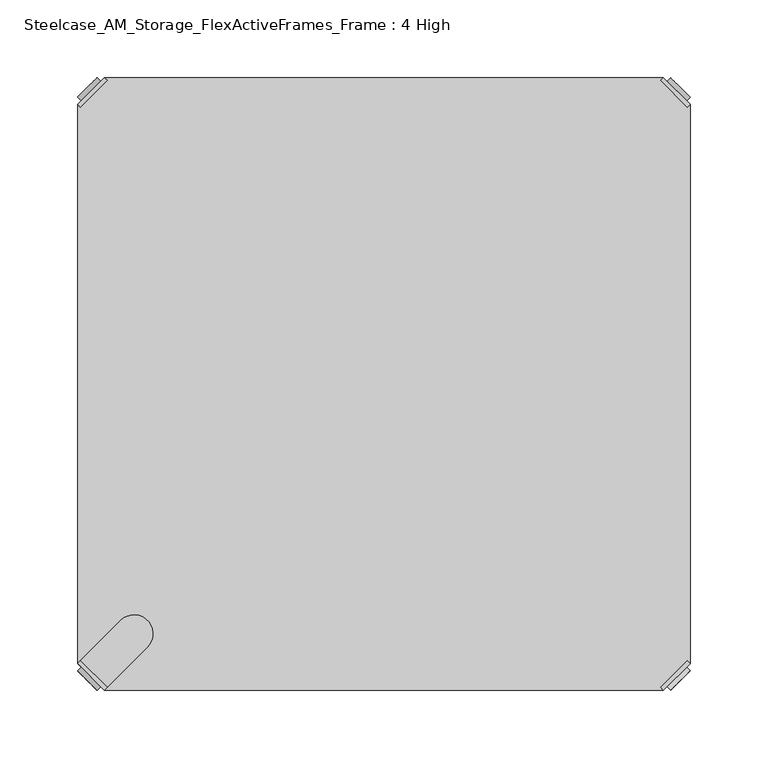
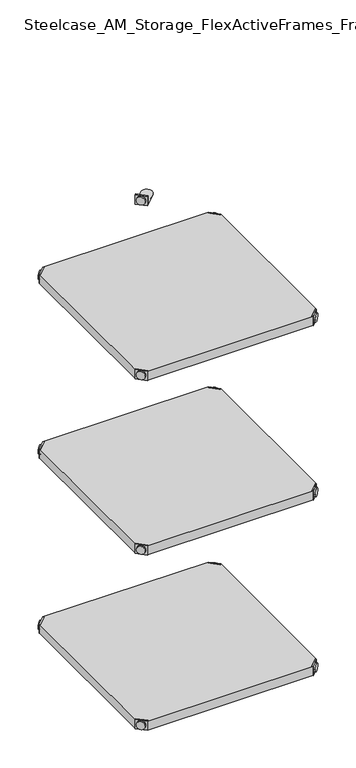
"""IFC4 building model written with IfcOpenShell, lengths in millimetres: furniture geometry, Steelcase_AM_Storage_FlexActiveFrames_Frame : 4 High."""

from ifc_helpers import new_model, si_unit, frame, origin, place, context, project, spatial, polyline, circle_curve, outline, extrude, source, transform, mapped, element, save
from ifc_brep_helpers import plane_surface, cylinder_surface, advanced_brep


def steelcase_am_storage_flexactiveframes_frame_4_high_f2a8c31b(model_context):
    return source(origin(), model_context, "Body", "SolidModel", [
        advanced_brep(
        [(2.54, -380.2870969, 1324.61), (19.7629031, -397.51, 1324.61), (21.5589544, -395.7139488, 1324.61), (4.3360512, -378.4910456, 1324.61), (2.54, -380.2870969, 1303.274), (19.7629031, -397.51, 1303.274), (4.8652723, -382.6123691, 1314.45), (17.4376309, -395.1847277, 1314.45), (30.2920522, -352.5350447, 1304.29), (4.3360512, -378.4910456, 1304.29), (21.5589544, -395.7139488, 1304.29), (47.5149553, -369.7579478, 1304.29), (30.2920522, -352.5350447, 1303.274), (47.5149553, -369.7579478, 1303.274), (15.1227513, -397.4996073, 1314.45), (2.5503927, -384.9272487, 1314.45)],
        [
            (0, 1),
            (1, 2),
            (2, 3),
            (3, 0),
            (0, 4),
            (4, 5),
            (5, 1),
            (6, 7, circle_curve(frame((11.1514516, -388.8985484, 1314.45), z_axis=(0.7071067811865446, 0.7071067811865505, 0.0), x_axis=(-0.7071067811865505, 0.7071067811865446, 0.0)), 8.89)),
            (7, 6, circle_curve(frame((11.1514516, -388.8985484, 1314.45), z_axis=(0.7071067811865446, 0.7071067811865505, 0.0), x_axis=(-0.7071067811865505, 0.7071067811865446, 0.0)), 8.89)),
            (8, 9),
            (9, 10),
            (10, 11),
            (11, 8, circle_curve(frame((38.9035037, -361.1464963, 1304.29), z_axis=(0.0, 0.0, 1.0), x_axis=(1.0, 0.0, 0.0)), 12.1784316)),
            (12, 13, circle_curve(frame((38.9035037, -361.1464963, 1303.274), z_axis=(0.0, 0.0, -1.0), x_axis=(1.0, 0.0, 0.0)), 12.1784316)),
            (13, 5),
            (4, 12),
            (14, 15, circle_curve(frame((8.836572, -391.213428, 1314.45), z_axis=(-0.7071067811865446, -0.7071067811865505, 0.0), x_axis=(-0.7071067811865505, 0.7071067811865446, 0.0)), 8.89)),
            (15, 14, circle_curve(frame((8.836572, -391.213428, 1314.45), z_axis=(-0.7071067811865446, -0.7071067811865505, 0.0), x_axis=(-0.7071067811865505, 0.7071067811865446, 0.0)), 8.89)),
            (15, 6),
            (7, 14),
            (2, 10),
            (9, 3),
            (11, 13),
            (12, 8),
        ],
        [
            plane_surface(frame((-19.6579872, -402.485084, 1324.61), z_axis=(0.0, 0.0, 1.0000000000000002), x_axis=(0.7071067811865436, 0.7071067811865516, 0.0))),
            plane_surface(frame((19.7629031, -397.51, 1324.61), z_axis=(-0.7071067811865447, -0.7071067811865503, 0.0), x_axis=(0.0, 0.0, -1.0))),
            plane_surface(frame((51.0819353, -361.1464963, 1304.29), z_axis=(0.0, 0.0, 1.0), x_axis=(0.0, -1.0, 0.0))),
            plane_surface(frame((51.0819353, -361.1464963, 1303.274), z_axis=(0.0, 0.0, -1.0), x_axis=(0.0, 1.0, 0.0))),
            plane_surface(frame((2.5503927, -384.9272487, 1314.45), z_axis=(-0.7071067811865446, -0.7071067811865505, 0.0), x_axis=(0.0, 0.0, 1.0))),
            cylinder_surface(frame((11.1514516, -388.8985484, 1314.45), z_axis=(-0.7071067811865446, -0.7071067811865505, 0.0), x_axis=(-0.7071067811865505, 0.7071067811865446, 0.0)), 8.89),
            plane_surface(frame((4.3360512, -378.4910456, 1324.61), z_axis=(0.7071067811865447, 0.7071067811865503, 0.0), x_axis=(0.0, 0.0, -1.0))),
            cylinder_surface(frame((38.9035037, -361.1464963, 1303.274), z_axis=(0.0, 0.0, 1.0), x_axis=(1.0, 0.0, 0.0)), 12.1784316),
            plane_surface(frame((2.54, -380.2870969, 1324.61), z_axis=(-0.7071067811865516, 0.7071067811865436, 0.0), x_axis=(0.0, 0.0, -1.0))),
            plane_surface(frame((21.5589544, -395.7139488, 1324.61), z_axis=(0.7071067811865513, -0.7071067811865437, 0.0), x_axis=(0.0, 0.0, -1.0))),
        ],
        [
            (0, [[1, 2, 3, 4]]),
            (1, [[5, 6, 7, -1], [8, 9]]),
            (2, [[10, 11, 12, 13]]),
            (3, [[14, 15, -6, 16]]),
            (4, [[17, 18]]),
            (5, [[19, -9, 20, -18]]),
            (5, [[-20, -8, -19, -17]]),
            (6, [[21, -11, 22, -3]]),
            (7, [[23, -14, 24, -13]]),
            (8, [[-22, -10, -24, -16, -5, -4]]),
            (9, [[-7, -15, -23, -12, -21, -2]]),
        ],
    ),
        advanced_brep(
        [(397.51, -380.2870969, 1324.61), (395.7139488, -378.4910456, 1324.61), (378.4910456, -395.7139488, 1324.61), (380.2870969, -397.51, 1324.61), (380.2870969, -397.51, 1303.274), (397.51, -380.2870969, 1303.274), (395.1847277, -382.6123691, 1314.45), (382.6123691, -395.1847277, 1314.45), (369.7579478, -352.5350447, 1304.29), (352.5350447, -369.7579478, 1304.29), (378.4910456, -395.7139488, 1304.29), (395.7139488, -378.4910456, 1304.29), (369.7579478, -352.5350447, 1303.274), (352.5350447, -369.7579478, 1303.274), (384.9272487, -397.4996073, 1314.45), (397.4996073, -384.9272487, 1314.45)],
        [
            (0, 1),
            (1, 2),
            (2, 3),
            (3, 0),
            (3, 4),
            (4, 5),
            (5, 0),
            (6, 7, circle_curve(frame((388.8985484, -388.8985484, 1314.45), z_axis=(-0.7071067811865446, 0.7071067811865505, 0.0), x_axis=(0.7071067811865505, 0.7071067811865446, 0.0)), 8.89)),
            (7, 6, circle_curve(frame((388.8985484, -388.8985484, 1314.45), z_axis=(-0.7071067811865446, 0.7071067811865505, 0.0), x_axis=(0.7071067811865505, 0.7071067811865446, 0.0)), 8.89)),
            (8, 9, circle_curve(frame((361.1464963, -361.1464963, 1304.29), z_axis=(0.0, 0.0, 1.0), x_axis=(-1.0, 0.0, 0.0)), 12.1784316)),
            (9, 10),
            (10, 11),
            (11, 8),
            (12, 5),
            (4, 13),
            (13, 12, circle_curve(frame((361.1464963, -361.1464963, 1303.274), z_axis=(0.0, 0.0, -1.0), x_axis=(-1.0, 0.0, 0.0)), 12.1784316)),
            (14, 15, circle_curve(frame((391.213428, -391.213428, 1314.45), z_axis=(0.7071067811865446, -0.7071067811865505, 0.0), x_axis=(0.7071067811865505, 0.7071067811865446, 0.0)), 8.89)),
            (15, 14, circle_curve(frame((391.213428, -391.213428, 1314.45), z_axis=(0.7071067811865446, -0.7071067811865505, 0.0), x_axis=(0.7071067811865505, 0.7071067811865446, 0.0)), 8.89)),
            (14, 7),
            (6, 15),
            (1, 11),
            (10, 2),
            (8, 12),
            (13, 9),
        ],
        [
            plane_surface(frame((419.7079872, -402.485084, 1324.61), z_axis=(0.0, 0.0, 1.0000000000000002), x_axis=(-0.7071067811865436, 0.7071067811865516, 0.0))),
            plane_surface(frame((380.2870969, -397.51, 1324.61), z_axis=(0.7071067811865447, -0.7071067811865503, 0.0), x_axis=(0.0, 0.0, -1.0))),
            plane_surface(frame((348.9680647, -361.1464963, 1304.29), z_axis=(0.0, 0.0, 1.0), x_axis=(0.0, -1.0, 0.0))),
            plane_surface(frame((348.9680647, -361.1464963, 1303.274), z_axis=(0.0, 0.0, -1.0), x_axis=(0.0, 1.0, 0.0))),
            plane_surface(frame((397.4996073, -384.9272487, 1314.45), z_axis=(0.7071067811865446, -0.7071067811865505, 0.0), x_axis=(0.0, 0.0, 1.0))),
            cylinder_surface(frame((388.8985484, -388.8985484, 1314.45), z_axis=(0.7071067811865446, -0.7071067811865505, 0.0), x_axis=(0.7071067811865505, 0.7071067811865446, 0.0)), 8.89),
            plane_surface(frame((395.7139488, -378.4910456, 1324.61), z_axis=(-0.7071067811865447, 0.7071067811865503, 0.0), x_axis=(0.0, 0.0, -1.0))),
            cylinder_surface(frame((361.1464963, -361.1464963, 1303.274), z_axis=(0.0, 0.0, 1.0), x_axis=(-1.0, 0.0, 0.0)), 12.1784316),
            plane_surface(frame((397.51, -380.2870969, 1324.61), z_axis=(0.7071067811865516, 0.7071067811865436, 0.0), x_axis=(0.0, 0.0, -1.0))),
            plane_surface(frame((378.4910456, -395.7139488, 1324.61), z_axis=(-0.7071067811865513, -0.7071067811865437, 0.0), x_axis=(0.0, 0.0, -1.0))),
        ],
        [
            (0, [[1, 2, 3, 4]]),
            (1, [[-4, 5, 6, 7], [8, 9]]),
            (2, [[10, 11, 12, 13]]),
            (3, [[14, -6, 15, 16]]),
            (4, [[17, 18]]),
            (5, [[-17, 19, -8, 20]]),
            (5, [[-18, -20, -9, -19]]),
            (6, [[-2, 21, -12, 22]]),
            (7, [[-10, 23, -16, 24]]),
            (8, [[-1, -7, -14, -23, -13, -21]]),
            (9, [[-3, -22, -11, -24, -15, -5]]),
        ],
    ),
        advanced_brep(
        [(397.51, -19.7629031, 1324.61), (380.2870969, -2.54, 1324.61), (378.4910456, -4.3360512, 1324.61), (395.7139488, -21.5589544, 1324.61), (397.51, -19.7629031, 1303.274), (380.2870969, -2.54, 1303.274), (395.1847277, -17.4376309, 1314.45), (382.6123691, -4.8652723, 1314.45), (369.7579478, -47.5149553, 1304.29), (395.7139488, -21.5589544, 1304.29), (378.4910456, -4.3360512, 1304.29), (352.5350447, -30.2920522, 1304.29), (369.7579478, -47.5149553, 1303.274), (352.5350447, -30.2920522, 1303.274), (384.9272487, -2.5503927, 1314.45), (397.4996073, -15.1227513, 1314.45)],
        [
            (0, 1),
            (1, 2),
            (2, 3),
            (3, 0),
            (0, 4),
            (4, 5),
            (5, 1),
            (6, 7, circle_curve(frame((388.8985484, -11.1514516, 1314.45), z_axis=(-0.7071067811865469, -0.7071067811865481, 0.0), x_axis=(0.7071067811865481, -0.7071067811865469, 0.0)), 8.89)),
            (7, 6, circle_curve(frame((388.8985484, -11.1514516, 1314.45), z_axis=(-0.7071067811865469, -0.7071067811865481, 0.0), x_axis=(0.7071067811865481, -0.7071067811865469, 0.0)), 8.89)),
            (8, 9),
            (9, 10),
            (10, 11),
            (11, 8, circle_curve(frame((361.1464963, -38.9035037, 1304.29), z_axis=(0.0, 0.0, 1.0), x_axis=(-1.0, 0.0, 0.0)), 12.1784316)),
            (12, 13, circle_curve(frame((361.1464963, -38.9035037, 1303.274), z_axis=(0.0, 0.0, -1.0), x_axis=(-1.0, 0.0, 0.0)), 12.1784316)),
            (13, 5),
            (4, 12),
            (14, 15, circle_curve(frame((391.213428, -8.836572, 1314.45), z_axis=(0.7071067811865469, 0.7071067811865481, 0.0), x_axis=(0.7071067811865481, -0.7071067811865469, 0.0)), 8.89)),
            (15, 14, circle_curve(frame((391.213428, -8.836572, 1314.45), z_axis=(0.7071067811865469, 0.7071067811865481, 0.0), x_axis=(0.7071067811865481, -0.7071067811865469, 0.0)), 8.89)),
            (15, 6),
            (7, 14),
            (2, 10),
            (9, 3),
            (11, 13),
            (12, 8),
        ],
        [
            plane_surface(frame((419.7079872, 2.435084, 1324.61), z_axis=(0.0, 0.0, 1.0000000000000002), x_axis=(-0.7071067811865459, -0.7071067811865492, 0.0))),
            plane_surface(frame((380.2870969, -2.54, 1324.61), z_axis=(0.707106781186547, 0.707106781186548, 0.0), x_axis=(0.0, 0.0, -1.0))),
            plane_surface(frame((348.9680647, -38.9035037, 1304.29), z_axis=(0.0, 0.0, 1.0), x_axis=(0.0, 1.0, 0.0))),
            plane_surface(frame((348.9680647, -38.9035037, 1303.274), z_axis=(0.0, 0.0, -1.0), x_axis=(0.0, -1.0, 0.0))),
            plane_surface(frame((397.4996073, -15.1227513, 1314.45), z_axis=(0.7071067811865469, 0.7071067811865481, 0.0), x_axis=(0.0, 0.0, 1.0))),
            cylinder_surface(frame((388.8985484, -11.1514516, 1314.45), z_axis=(0.7071067811865469, 0.7071067811865481, 0.0), x_axis=(0.7071067811865481, -0.7071067811865469, 0.0)), 8.89),
            plane_surface(frame((395.7139488, -21.5589544, 1324.61), z_axis=(-0.707106781186547, -0.707106781186548, 0.0), x_axis=(0.0, 0.0, -1.0))),
            cylinder_surface(frame((361.1464963, -38.9035037, 1303.274), z_axis=(0.0, 0.0, 1.0), x_axis=(-1.0, 0.0, 0.0)), 12.1784316),
            plane_surface(frame((397.51, -19.7629031, 1324.61), z_axis=(0.7071067811865492, -0.7071067811865459, 0.0), x_axis=(0.0, 0.0, -1.0))),
            plane_surface(frame((378.4910456, -4.3360512, 1324.61), z_axis=(-0.707106781186549, 0.707106781186546, 0.0), x_axis=(0.0, 0.0, -1.0))),
        ],
        [
            (0, [[1, 2, 3, 4]]),
            (1, [[5, 6, 7, -1], [8, 9]]),
            (2, [[10, 11, 12, 13]]),
            (3, [[14, 15, -6, 16]]),
            (4, [[17, 18]]),
            (5, [[19, -9, 20, -18]]),
            (5, [[-20, -8, -19, -17]]),
            (6, [[21, -11, 22, -3]]),
            (7, [[23, -14, 24, -13]]),
            (8, [[-22, -10, -24, -16, -5, -4]]),
            (9, [[-7, -15, -23, -12, -21, -2]]),
        ],
    ),
        advanced_brep(
        [(2.54, -19.7629031, 1324.61), (4.3360512, -21.5589544, 1324.61), (21.5589544, -4.3360512, 1324.61), (19.7629031, -2.54, 1324.61), (19.7629031, -2.54, 1303.274), (2.54, -19.7629031, 1303.274), (4.8652723, -17.4376309, 1314.45), (17.4376309, -4.8652723, 1314.45), (30.2920522, -47.5149553, 1304.29), (47.5149553, -30.2920522, 1304.29), (21.5589544, -4.3360512, 1304.29), (4.3360512, -21.5589544, 1304.29), (30.2920522, -47.5149553, 1303.274), (47.5149553, -30.2920522, 1303.274), (15.1227513, -2.5503927, 1314.45), (2.5503927, -15.1227513, 1314.45)],
        [
            (0, 1),
            (1, 2),
            (2, 3),
            (3, 0),
            (3, 4),
            (4, 5),
            (5, 0),
            (6, 7, circle_curve(frame((11.1514516, -11.1514516, 1314.45), z_axis=(0.7071067811865469, -0.7071067811865481, 0.0), x_axis=(-0.7071067811865481, -0.7071067811865469, 0.0)), 8.89)),
            (7, 6, circle_curve(frame((11.1514516, -11.1514516, 1314.45), z_axis=(0.7071067811865469, -0.7071067811865481, 0.0), x_axis=(-0.7071067811865481, -0.7071067811865469, 0.0)), 8.89)),
            (8, 9, circle_curve(frame((38.9035037, -38.9035037, 1304.29), z_axis=(0.0, 0.0, 1.0), x_axis=(1.0, 0.0, 0.0)), 12.1784316)),
            (9, 10),
            (10, 11),
            (11, 8),
            (12, 5),
            (4, 13),
            (13, 12, circle_curve(frame((38.9035037, -38.9035037, 1303.274), z_axis=(0.0, 0.0, -1.0), x_axis=(1.0, 0.0, 0.0)), 12.1784316)),
            (14, 15, circle_curve(frame((8.836572, -8.836572, 1314.45), z_axis=(-0.7071067811865469, 0.7071067811865481, 0.0), x_axis=(-0.7071067811865481, -0.7071067811865469, 0.0)), 8.89)),
            (15, 14, circle_curve(frame((8.836572, -8.836572, 1314.45), z_axis=(-0.7071067811865469, 0.7071067811865481, 0.0), x_axis=(-0.7071067811865481, -0.7071067811865469, 0.0)), 8.89)),
            (14, 7),
            (6, 15),
            (1, 11),
            (10, 2),
            (8, 12),
            (13, 9),
        ],
        [
            plane_surface(frame((-19.6579872, 2.435084, 1324.61), z_axis=(0.0, 0.0, 1.0000000000000002), x_axis=(0.7071067811865459, -0.7071067811865492, 0.0))),
            plane_surface(frame((19.7629031, -2.54, 1324.61), z_axis=(-0.707106781186547, 0.707106781186548, 0.0), x_axis=(0.0, 0.0, -1.0))),
            plane_surface(frame((51.0819353, -38.9035037, 1304.29), z_axis=(0.0, 0.0, 1.0), x_axis=(0.0, 1.0, 0.0))),
            plane_surface(frame((51.0819353, -38.9035037, 1303.274), z_axis=(0.0, 0.0, -1.0), x_axis=(0.0, -1.0, 0.0))),
            plane_surface(frame((2.5503927, -15.1227513, 1314.45), z_axis=(-0.7071067811865469, 0.7071067811865481, 0.0), x_axis=(0.0, 0.0, 1.0))),
            cylinder_surface(frame((11.1514516, -11.1514516, 1314.45), z_axis=(-0.7071067811865469, 0.7071067811865481, 0.0), x_axis=(-0.7071067811865481, -0.7071067811865469, 0.0)), 8.89),
            plane_surface(frame((4.3360512, -21.5589544, 1324.61), z_axis=(0.707106781186547, -0.707106781186548, 0.0), x_axis=(0.0, 0.0, -1.0))),
            cylinder_surface(frame((38.9035037, -38.9035037, 1303.274), z_axis=(0.0, 0.0, 1.0), x_axis=(1.0, 0.0, 0.0)), 12.1784316),
            plane_surface(frame((2.54, -19.7629031, 1324.61), z_axis=(-0.7071067811865492, -0.7071067811865459, 0.0), x_axis=(0.0, 0.0, -1.0))),
            plane_surface(frame((21.5589544, -4.3360512, 1324.61), z_axis=(0.707106781186549, 0.707106781186546, 0.0), x_axis=(0.0, 0.0, -1.0))),
        ],
        [
            (0, [[1, 2, 3, 4]]),
            (1, [[-4, 5, 6, 7], [8, 9]]),
            (2, [[10, 11, 12, 13]]),
            (3, [[14, -6, 15, 16]]),
            (4, [[17, 18]]),
            (5, [[-17, 19, -8, 20]]),
            (5, [[-18, -20, -9, -19]]),
            (6, [[-2, 21, -12, 22]]),
            (7, [[-10, 23, -16, 24]]),
            (8, [[-1, -7, -14, -23, -13, -21]]),
            (9, [[-3, -22, -11, -24, -15, -5]]),
        ],
    ),
        extrude(outline(polyline([(19.7629031, -2.54), (380.2870969, -2.54), (378.4910456, -4.3360512), (395.7139488, -21.5589544), (397.51, -19.7629031), (397.51, -380.2870969), (395.7139488, -378.4910456), (378.4910456, -395.7139488), (380.2870969, -397.51), (19.7629031, -397.51), (21.5589544, -395.7139488), (4.3360512, -378.4910456), (2.54, -380.2870969), (2.54, -19.7629031), (4.3360512, -21.5589544), (21.5589544, -4.3360512), (19.7629031, -2.54)])), frame((0.0, 0.0, 1304.29), z_axis=(0.0, 0.0, 1.0), x_axis=(1.0, 0.0, 0.0)), (0.0, 0.0, 1.0), 20.32),
        advanced_brep(
        [(2.54, -380.2870969, 923.29), (19.7629031, -397.51, 923.29), (21.5589544, -395.7139488, 923.29), (4.3360512, -378.4910456, 923.29), (2.54, -380.2870969, 901.954), (19.7629031, -397.51, 901.954), (4.8652723, -382.6123691, 913.13), (17.4376309, -395.1847277, 913.13), (30.2920522, -352.5350447, 902.97), (4.3360512, -378.4910456, 902.97), (21.5589544, -395.7139488, 902.97), (47.5149553, -369.7579478, 902.97), (30.2920522, -352.5350447, 901.954), (47.5149553, -369.7579478, 901.954), (15.1227513, -397.4996073, 913.13), (2.5503927, -384.9272487, 913.13)],
        [
            (0, 1),
            (1, 2),
            (2, 3),
            (3, 0),
            (0, 4),
            (4, 5),
            (5, 1),
            (6, 7, circle_curve(frame((11.1514516, -388.8985484, 913.13), z_axis=(0.7071067811865446, 0.7071067811865505, 0.0), x_axis=(-0.7071067811865505, 0.7071067811865446, 0.0)), 8.89)),
            (7, 6, circle_curve(frame((11.1514516, -388.8985484, 913.13), z_axis=(0.7071067811865446, 0.7071067811865505, 0.0), x_axis=(-0.7071067811865505, 0.7071067811865446, 0.0)), 8.89)),
            (8, 9),
            (9, 10),
            (10, 11),
            (11, 8, circle_curve(frame((38.9035037, -361.1464963, 902.97), z_axis=(0.0, 0.0, 1.0), x_axis=(1.0, 0.0, 0.0)), 12.1784316)),
            (12, 13, circle_curve(frame((38.9035037, -361.1464963, 901.954), z_axis=(0.0, 0.0, -1.0), x_axis=(1.0, 0.0, 0.0)), 12.1784316)),
            (13, 5),
            (4, 12),
            (14, 15, circle_curve(frame((8.836572, -391.213428, 913.13), z_axis=(-0.7071067811865446, -0.7071067811865505, 0.0), x_axis=(-0.7071067811865505, 0.7071067811865446, 0.0)), 8.89)),
            (15, 14, circle_curve(frame((8.836572, -391.213428, 913.13), z_axis=(-0.7071067811865446, -0.7071067811865505, 0.0), x_axis=(-0.7071067811865505, 0.7071067811865446, 0.0)), 8.89)),
            (15, 6),
            (7, 14),
            (2, 10),
            (9, 3),
            (11, 13),
            (12, 8),
        ],
        [
            plane_surface(frame((-19.6579872, -402.485084, 923.29), z_axis=(0.0, 0.0, 1.0000000000000002), x_axis=(0.7071067811865436, 0.7071067811865516, 0.0))),
            plane_surface(frame((19.7629031, -397.51, 923.29), z_axis=(-0.7071067811865447, -0.7071067811865503, 0.0), x_axis=(0.0, 0.0, -1.0))),
            plane_surface(frame((51.0819353, -361.1464963, 902.97), z_axis=(0.0, 0.0, 1.0), x_axis=(0.0, -1.0, 0.0))),
            plane_surface(frame((51.0819353, -361.1464963, 901.954), z_axis=(0.0, 0.0, -1.0), x_axis=(0.0, 1.0, 0.0))),
            plane_surface(frame((2.5503927, -384.9272487, 913.13), z_axis=(-0.7071067811865446, -0.7071067811865505, 0.0), x_axis=(0.0, 0.0, 1.0))),
            cylinder_surface(frame((11.1514516, -388.8985484, 913.13), z_axis=(-0.7071067811865446, -0.7071067811865505, 0.0), x_axis=(-0.7071067811865505, 0.7071067811865446, 0.0)), 8.89),
            plane_surface(frame((4.3360512, -378.4910456, 923.29), z_axis=(0.7071067811865447, 0.7071067811865503, 0.0), x_axis=(0.0, 0.0, -1.0))),
            cylinder_surface(frame((38.9035037, -361.1464963, 901.954), z_axis=(0.0, 0.0, 1.0), x_axis=(1.0, 0.0, 0.0)), 12.1784316),
            plane_surface(frame((2.54, -380.2870969, 923.29), z_axis=(-0.7071067811865516, 0.7071067811865436, 0.0), x_axis=(0.0, 0.0, -1.0))),
            plane_surface(frame((21.5589544, -395.7139488, 923.29), z_axis=(0.7071067811865513, -0.7071067811865437, 0.0), x_axis=(0.0, 0.0, -1.0))),
        ],
        [
            (0, [[1, 2, 3, 4]]),
            (1, [[5, 6, 7, -1], [8, 9]]),
            (2, [[10, 11, 12, 13]]),
            (3, [[14, 15, -6, 16]]),
            (4, [[17, 18]]),
            (5, [[19, -9, 20, -18]]),
            (5, [[-20, -8, -19, -17]]),
            (6, [[21, -11, 22, -3]]),
            (7, [[23, -14, 24, -13]]),
            (8, [[-22, -10, -24, -16, -5, -4]]),
            (9, [[-7, -15, -23, -12, -21, -2]]),
        ],
    ),
        advanced_brep(
        [(397.51, -380.2870969, 923.29), (395.7139488, -378.4910456, 923.29), (378.4910456, -395.7139488, 923.29), (380.2870969, -397.51, 923.29), (380.2870969, -397.51, 901.954), (397.51, -380.2870969, 901.954), (395.1847277, -382.6123691, 913.13), (382.6123691, -395.1847277, 913.13), (369.7579478, -352.5350447, 902.97), (352.5350447, -369.7579478, 902.97), (378.4910456, -395.7139488, 902.97), (395.7139488, -378.4910456, 902.97), (369.7579478, -352.5350447, 901.954), (352.5350447, -369.7579478, 901.954), (384.9272487, -397.4996073, 913.13), (397.4996073, -384.9272487, 913.13)],
        [
            (0, 1),
            (1, 2),
            (2, 3),
            (3, 0),
            (3, 4),
            (4, 5),
            (5, 0),
            (6, 7, circle_curve(frame((388.8985484, -388.8985484, 913.13), z_axis=(-0.7071067811865446, 0.7071067811865505, 0.0), x_axis=(0.7071067811865505, 0.7071067811865446, 0.0)), 8.89)),
            (7, 6, circle_curve(frame((388.8985484, -388.8985484, 913.13), z_axis=(-0.7071067811865446, 0.7071067811865505, 0.0), x_axis=(0.7071067811865505, 0.7071067811865446, 0.0)), 8.89)),
            (8, 9, circle_curve(frame((361.1464963, -361.1464963, 902.97), z_axis=(0.0, 0.0, 1.0), x_axis=(-1.0, 0.0, 0.0)), 12.1784316)),
            (9, 10),
            (10, 11),
            (11, 8),
            (12, 5),
            (4, 13),
            (13, 12, circle_curve(frame((361.1464963, -361.1464963, 901.954), z_axis=(0.0, 0.0, -1.0), x_axis=(-1.0, 0.0, 0.0)), 12.1784316)),
            (14, 15, circle_curve(frame((391.213428, -391.213428, 913.13), z_axis=(0.7071067811865446, -0.7071067811865505, 0.0), x_axis=(0.7071067811865505, 0.7071067811865446, 0.0)), 8.89)),
            (15, 14, circle_curve(frame((391.213428, -391.213428, 913.13), z_axis=(0.7071067811865446, -0.7071067811865505, 0.0), x_axis=(0.7071067811865505, 0.7071067811865446, 0.0)), 8.89)),
            (14, 7),
            (6, 15),
            (1, 11),
            (10, 2),
            (8, 12),
            (13, 9),
        ],
        [
            plane_surface(frame((419.7079872, -402.485084, 923.29), z_axis=(0.0, 0.0, 1.0000000000000002), x_axis=(-0.7071067811865436, 0.7071067811865516, 0.0))),
            plane_surface(frame((380.2870969, -397.51, 923.29), z_axis=(0.7071067811865447, -0.7071067811865503, 0.0), x_axis=(0.0, 0.0, -1.0))),
            plane_surface(frame((348.9680647, -361.1464963, 902.97), z_axis=(0.0, 0.0, 1.0), x_axis=(0.0, -1.0, 0.0))),
            plane_surface(frame((348.9680647, -361.1464963, 901.954), z_axis=(0.0, 0.0, -1.0), x_axis=(0.0, 1.0, 0.0))),
            plane_surface(frame((397.4996073, -384.9272487, 913.13), z_axis=(0.7071067811865446, -0.7071067811865505, 0.0), x_axis=(0.0, 0.0, 1.0))),
            cylinder_surface(frame((388.8985484, -388.8985484, 913.13), z_axis=(0.7071067811865446, -0.7071067811865505, 0.0), x_axis=(0.7071067811865505, 0.7071067811865446, 0.0)), 8.89),
            plane_surface(frame((395.7139488, -378.4910456, 923.29), z_axis=(-0.7071067811865447, 0.7071067811865503, 0.0), x_axis=(0.0, 0.0, -1.0))),
            cylinder_surface(frame((361.1464963, -361.1464963, 901.954), z_axis=(0.0, 0.0, 1.0), x_axis=(-1.0, 0.0, 0.0)), 12.1784316),
            plane_surface(frame((397.51, -380.2870969, 923.29), z_axis=(0.7071067811865516, 0.7071067811865436, 0.0), x_axis=(0.0, 0.0, -1.0))),
            plane_surface(frame((378.4910456, -395.7139488, 923.29), z_axis=(-0.7071067811865513, -0.7071067811865437, 0.0), x_axis=(0.0, 0.0, -1.0))),
        ],
        [
            (0, [[1, 2, 3, 4]]),
            (1, [[-4, 5, 6, 7], [8, 9]]),
            (2, [[10, 11, 12, 13]]),
            (3, [[14, -6, 15, 16]]),
            (4, [[17, 18]]),
            (5, [[-17, 19, -8, 20]]),
            (5, [[-18, -20, -9, -19]]),
            (6, [[-2, 21, -12, 22]]),
            (7, [[-10, 23, -16, 24]]),
            (8, [[-1, -7, -14, -23, -13, -21]]),
            (9, [[-3, -22, -11, -24, -15, -5]]),
        ],
    ),
        advanced_brep(
        [(397.51, -19.7629031, 923.29), (380.2870969, -2.54, 923.29), (378.4910456, -4.3360512, 923.29), (395.7139488, -21.5589544, 923.29), (397.51, -19.7629031, 901.954), (380.2870969, -2.54, 901.954), (395.1847277, -17.4376309, 913.13), (382.6123691, -4.8652723, 913.13), (369.7579478, -47.5149553, 902.97), (395.7139488, -21.5589544, 902.97), (378.4910456, -4.3360512, 902.97), (352.5350447, -30.2920522, 902.97), (369.7579478, -47.5149553, 901.954), (352.5350447, -30.2920522, 901.954), (384.9272487, -2.5503927, 913.13), (397.4996073, -15.1227513, 913.13)],
        [
            (0, 1),
            (1, 2),
            (2, 3),
            (3, 0),
            (0, 4),
            (4, 5),
            (5, 1),
            (6, 7, circle_curve(frame((388.8985484, -11.1514516, 913.13), z_axis=(-0.7071067811865469, -0.7071067811865481, 0.0), x_axis=(0.7071067811865481, -0.7071067811865469, 0.0)), 8.89)),
            (7, 6, circle_curve(frame((388.8985484, -11.1514516, 913.13), z_axis=(-0.7071067811865469, -0.7071067811865481, 0.0), x_axis=(0.7071067811865481, -0.7071067811865469, 0.0)), 8.89)),
            (8, 9),
            (9, 10),
            (10, 11),
            (11, 8, circle_curve(frame((361.1464963, -38.9035037, 902.97), z_axis=(0.0, 0.0, 1.0), x_axis=(-1.0, 0.0, 0.0)), 12.1784316)),
            (12, 13, circle_curve(frame((361.1464963, -38.9035037, 901.954), z_axis=(0.0, 0.0, -1.0), x_axis=(-1.0, 0.0, 0.0)), 12.1784316)),
            (13, 5),
            (4, 12),
            (14, 15, circle_curve(frame((391.213428, -8.836572, 913.13), z_axis=(0.7071067811865469, 0.7071067811865481, 0.0), x_axis=(0.7071067811865481, -0.7071067811865469, 0.0)), 8.89)),
            (15, 14, circle_curve(frame((391.213428, -8.836572, 913.13), z_axis=(0.7071067811865469, 0.7071067811865481, 0.0), x_axis=(0.7071067811865481, -0.7071067811865469, 0.0)), 8.89)),
            (15, 6),
            (7, 14),
            (2, 10),
            (9, 3),
            (11, 13),
            (12, 8),
        ],
        [
            plane_surface(frame((419.7079872, 2.435084, 923.29), z_axis=(0.0, 0.0, 1.0000000000000002), x_axis=(-0.7071067811865459, -0.7071067811865492, 0.0))),
            plane_surface(frame((380.2870969, -2.54, 923.29), z_axis=(0.707106781186547, 0.707106781186548, 0.0), x_axis=(0.0, 0.0, -1.0))),
            plane_surface(frame((348.9680647, -38.9035037, 902.97), z_axis=(0.0, 0.0, 1.0), x_axis=(0.0, 1.0, 0.0))),
            plane_surface(frame((348.9680647, -38.9035037, 901.954), z_axis=(0.0, 0.0, -1.0), x_axis=(0.0, -1.0, 0.0))),
            plane_surface(frame((397.4996073, -15.1227513, 913.13), z_axis=(0.7071067811865469, 0.7071067811865481, 0.0), x_axis=(0.0, 0.0, 1.0))),
            cylinder_surface(frame((388.8985484, -11.1514516, 913.13), z_axis=(0.7071067811865469, 0.7071067811865481, 0.0), x_axis=(0.7071067811865481, -0.7071067811865469, 0.0)), 8.89),
            plane_surface(frame((395.7139488, -21.5589544, 923.29), z_axis=(-0.707106781186547, -0.707106781186548, 0.0), x_axis=(0.0, 0.0, -1.0))),
            cylinder_surface(frame((361.1464963, -38.9035037, 901.954), z_axis=(0.0, 0.0, 1.0), x_axis=(-1.0, 0.0, 0.0)), 12.1784316),
            plane_surface(frame((397.51, -19.7629031, 923.29), z_axis=(0.7071067811865492, -0.7071067811865459, 0.0), x_axis=(0.0, 0.0, -1.0))),
            plane_surface(frame((378.4910456, -4.3360512, 923.29), z_axis=(-0.707106781186549, 0.707106781186546, 0.0), x_axis=(0.0, 0.0, -1.0))),
        ],
        [
            (0, [[1, 2, 3, 4]]),
            (1, [[5, 6, 7, -1], [8, 9]]),
            (2, [[10, 11, 12, 13]]),
            (3, [[14, 15, -6, 16]]),
            (4, [[17, 18]]),
            (5, [[19, -9, 20, -18]]),
            (5, [[-20, -8, -19, -17]]),
            (6, [[21, -11, 22, -3]]),
            (7, [[23, -14, 24, -13]]),
            (8, [[-22, -10, -24, -16, -5, -4]]),
            (9, [[-7, -15, -23, -12, -21, -2]]),
        ],
    ),
        advanced_brep(
        [(2.54, -19.7629031, 923.29), (4.3360512, -21.5589544, 923.29), (21.5589544, -4.3360512, 923.29), (19.7629031, -2.54, 923.29), (19.7629031, -2.54, 901.954), (2.54, -19.7629031, 901.954), (4.8652723, -17.4376309, 913.13), (17.4376309, -4.8652723, 913.13), (30.2920522, -47.5149553, 902.97), (47.5149553, -30.2920522, 902.97), (21.5589544, -4.3360512, 902.97), (4.3360512, -21.5589544, 902.97), (30.2920522, -47.5149553, 901.954), (47.5149553, -30.2920522, 901.954), (15.1227513, -2.5503927, 913.13), (2.5503927, -15.1227513, 913.13)],
        [
            (0, 1),
            (1, 2),
            (2, 3),
            (3, 0),
            (3, 4),
            (4, 5),
            (5, 0),
            (6, 7, circle_curve(frame((11.1514516, -11.1514516, 913.13), z_axis=(0.7071067811865469, -0.7071067811865481, 0.0), x_axis=(-0.7071067811865481, -0.7071067811865469, 0.0)), 8.89)),
            (7, 6, circle_curve(frame((11.1514516, -11.1514516, 913.13), z_axis=(0.7071067811865469, -0.7071067811865481, 0.0), x_axis=(-0.7071067811865481, -0.7071067811865469, 0.0)), 8.89)),
            (8, 9, circle_curve(frame((38.9035037, -38.9035037, 902.97), z_axis=(0.0, 0.0, 1.0), x_axis=(1.0, 0.0, 0.0)), 12.1784316)),
            (9, 10),
            (10, 11),
            (11, 8),
            (12, 5),
            (4, 13),
            (13, 12, circle_curve(frame((38.9035037, -38.9035037, 901.954), z_axis=(0.0, 0.0, -1.0), x_axis=(1.0, 0.0, 0.0)), 12.1784316)),
            (14, 15, circle_curve(frame((8.836572, -8.836572, 913.13), z_axis=(-0.7071067811865469, 0.7071067811865481, 0.0), x_axis=(-0.7071067811865481, -0.7071067811865469, 0.0)), 8.89)),
            (15, 14, circle_curve(frame((8.836572, -8.836572, 913.13), z_axis=(-0.7071067811865469, 0.7071067811865481, 0.0), x_axis=(-0.7071067811865481, -0.7071067811865469, 0.0)), 8.89)),
            (14, 7),
            (6, 15),
            (1, 11),
            (10, 2),
            (8, 12),
            (13, 9),
        ],
        [
            plane_surface(frame((-19.6579872, 2.435084, 923.29), z_axis=(0.0, 0.0, 1.0000000000000002), x_axis=(0.7071067811865459, -0.7071067811865492, 0.0))),
            plane_surface(frame((19.7629031, -2.54, 923.29), z_axis=(-0.707106781186547, 0.707106781186548, 0.0), x_axis=(0.0, 0.0, -1.0))),
            plane_surface(frame((51.0819353, -38.9035037, 902.97), z_axis=(0.0, 0.0, 1.0), x_axis=(0.0, 1.0, 0.0))),
            plane_surface(frame((51.0819353, -38.9035037, 901.954), z_axis=(0.0, 0.0, -1.0), x_axis=(0.0, -1.0, 0.0))),
            plane_surface(frame((2.5503927, -15.1227513, 913.13), z_axis=(-0.7071067811865469, 0.7071067811865481, 0.0), x_axis=(0.0, 0.0, 1.0))),
            cylinder_surface(frame((11.1514516, -11.1514516, 913.13), z_axis=(-0.7071067811865469, 0.7071067811865481, 0.0), x_axis=(-0.7071067811865481, -0.7071067811865469, 0.0)), 8.89),
            plane_surface(frame((4.3360512, -21.5589544, 923.29), z_axis=(0.707106781186547, -0.707106781186548, 0.0), x_axis=(0.0, 0.0, -1.0))),
            cylinder_surface(frame((38.9035037, -38.9035037, 901.954), z_axis=(0.0, 0.0, 1.0), x_axis=(1.0, 0.0, 0.0)), 12.1784316),
            plane_surface(frame((2.54, -19.7629031, 923.29), z_axis=(-0.7071067811865492, -0.7071067811865459, 0.0), x_axis=(0.0, 0.0, -1.0))),
            plane_surface(frame((21.5589544, -4.3360512, 923.29), z_axis=(0.707106781186549, 0.707106781186546, 0.0), x_axis=(0.0, 0.0, -1.0))),
        ],
        [
            (0, [[1, 2, 3, 4]]),
            (1, [[-4, 5, 6, 7], [8, 9]]),
            (2, [[10, 11, 12, 13]]),
            (3, [[14, -6, 15, 16]]),
            (4, [[17, 18]]),
            (5, [[-17, 19, -8, 20]]),
            (5, [[-18, -20, -9, -19]]),
            (6, [[-2, 21, -12, 22]]),
            (7, [[-10, 23, -16, 24]]),
            (8, [[-1, -7, -14, -23, -13, -21]]),
            (9, [[-3, -22, -11, -24, -15, -5]]),
        ],
    ),
        extrude(outline(polyline([(19.7629031, -2.54), (380.2870969, -2.54), (378.4910456, -4.3360512), (395.7139488, -21.5589544), (397.51, -19.7629031), (397.51, -380.2870969), (395.7139488, -378.4910456), (378.4910456, -395.7139488), (380.2870969, -397.51), (19.7629031, -397.51), (21.5589544, -395.7139488), (4.3360512, -378.4910456), (2.54, -380.2870969), (2.54, -19.7629031), (4.3360512, -21.5589544), (21.5589544, -4.3360512), (19.7629031, -2.54)])), frame((0.0, 0.0, 902.97), z_axis=(0.0, 0.0, 1.0), x_axis=(1.0, 0.0, 0.0)), (0.0, 0.0, 1.0), 20.32),
        advanced_brep(
        [(2.54, -380.2870969, 520.2936), (19.7629031, -397.51, 520.2936), (21.5589544, -395.7139488, 520.2936), (4.3360512, -378.4910456, 520.2936), (2.54, -380.2870969, 498.9576), (19.7629031, -397.51, 498.9576), (4.8652723, -382.6123691, 510.1336), (17.4376309, -395.1847277, 510.1336), (30.2920522, -352.5350447, 499.9736), (4.3360512, -378.4910456, 499.9736), (21.5589544, -395.7139488, 499.9736), (47.5149553, -369.7579478, 499.9736), (30.2920522, -352.5350447, 498.9576), (47.5149553, -369.7579478, 498.9576), (15.1227513, -397.4996073, 510.1336), (2.5503927, -384.9272487, 510.1336)],
        [
            (0, 1),
            (1, 2),
            (2, 3),
            (3, 0),
            (0, 4),
            (4, 5),
            (5, 1),
            (6, 7, circle_curve(frame((11.1514516, -388.8985484, 510.1336), z_axis=(0.7071067811865446, 0.7071067811865505, 0.0), x_axis=(-0.7071067811865505, 0.7071067811865446, 0.0)), 8.89)),
            (7, 6, circle_curve(frame((11.1514516, -388.8985484, 510.1336), z_axis=(0.7071067811865446, 0.7071067811865505, 0.0), x_axis=(-0.7071067811865505, 0.7071067811865446, 0.0)), 8.89)),
            (8, 9),
            (9, 10),
            (10, 11),
            (11, 8, circle_curve(frame((38.9035037, -361.1464963, 499.9736), z_axis=(0.0, 0.0, 1.0), x_axis=(1.0, 0.0, 0.0)), 12.1784316)),
            (12, 13, circle_curve(frame((38.9035037, -361.1464963, 498.9576), z_axis=(0.0, 0.0, -1.0), x_axis=(1.0, 0.0, 0.0)), 12.1784316)),
            (13, 5),
            (4, 12),
            (14, 15, circle_curve(frame((8.836572, -391.213428, 510.1336), z_axis=(-0.7071067811865446, -0.7071067811865505, 0.0), x_axis=(-0.7071067811865505, 0.7071067811865446, 0.0)), 8.89)),
            (15, 14, circle_curve(frame((8.836572, -391.213428, 510.1336), z_axis=(-0.7071067811865446, -0.7071067811865505, 0.0), x_axis=(-0.7071067811865505, 0.7071067811865446, 0.0)), 8.89)),
            (15, 6),
            (7, 14),
            (2, 10),
            (9, 3),
            (11, 13),
            (12, 8),
        ],
        [
            plane_surface(frame((-19.6579872, -402.485084, 520.2936), z_axis=(0.0, 0.0, 1.0000000000000002), x_axis=(0.7071067811865436, 0.7071067811865516, 0.0))),
            plane_surface(frame((19.7629031, -397.51, 520.2936), z_axis=(-0.7071067811865447, -0.7071067811865503, 0.0), x_axis=(0.0, 0.0, -1.0))),
            plane_surface(frame((51.0819353, -361.1464963, 499.9736), z_axis=(0.0, 0.0, 1.0), x_axis=(0.0, -1.0, 0.0))),
            plane_surface(frame((51.0819353, -361.1464963, 498.9576), z_axis=(0.0, 0.0, -1.0), x_axis=(0.0, 1.0, 0.0))),
            plane_surface(frame((2.5503927, -384.9272487, 510.1336), z_axis=(-0.7071067811865446, -0.7071067811865505, 0.0), x_axis=(0.0, 0.0, 1.0))),
            cylinder_surface(frame((11.1514516, -388.8985484, 510.1336), z_axis=(-0.7071067811865446, -0.7071067811865505, 0.0), x_axis=(-0.7071067811865505, 0.7071067811865446, 0.0)), 8.89),
            plane_surface(frame((4.3360512, -378.4910456, 520.2936), z_axis=(0.7071067811865447, 0.7071067811865503, 0.0), x_axis=(0.0, 0.0, -1.0))),
            cylinder_surface(frame((38.9035037, -361.1464963, 498.9576), z_axis=(0.0, 0.0, 1.0), x_axis=(1.0, 0.0, 0.0)), 12.1784316),
            plane_surface(frame((2.54, -380.2870969, 520.2936), z_axis=(-0.7071067811865516, 0.7071067811865436, 0.0), x_axis=(0.0, 0.0, -1.0))),
            plane_surface(frame((21.5589544, -395.7139488, 520.2936), z_axis=(0.7071067811865513, -0.7071067811865437, 0.0), x_axis=(0.0, 0.0, -1.0))),
        ],
        [
            (0, [[1, 2, 3, 4]]),
            (1, [[5, 6, 7, -1], [8, 9]]),
            (2, [[10, 11, 12, 13]]),
            (3, [[14, 15, -6, 16]]),
            (4, [[17, 18]]),
            (5, [[19, -9, 20, -18]]),
            (5, [[-20, -8, -19, -17]]),
            (6, [[21, -11, 22, -3]]),
            (7, [[23, -14, 24, -13]]),
            (8, [[-22, -10, -24, -16, -5, -4]]),
            (9, [[-7, -15, -23, -12, -21, -2]]),
        ],
    ),
        advanced_brep(
        [(397.51, -380.2870969, 520.2936), (395.7139488, -378.4910456, 520.2936), (378.4910456, -395.7139488, 520.2936), (380.2870969, -397.51, 520.2936), (380.2870969, -397.51, 498.9576), (397.51, -380.2870969, 498.9576), (395.1847277, -382.6123691, 510.1336), (382.6123691, -395.1847277, 510.1336), (369.7579478, -352.5350447, 499.9736), (352.5350447, -369.7579478, 499.9736), (378.4910456, -395.7139488, 499.9736), (395.7139488, -378.4910456, 499.9736), (369.7579478, -352.5350447, 498.9576), (352.5350447, -369.7579478, 498.9576), (384.9272487, -397.4996073, 510.1336), (397.4996073, -384.9272487, 510.1336)],
        [
            (0, 1),
            (1, 2),
            (2, 3),
            (3, 0),
            (3, 4),
            (4, 5),
            (5, 0),
            (6, 7, circle_curve(frame((388.8985484, -388.8985484, 510.1336), z_axis=(-0.7071067811865446, 0.7071067811865505, 0.0), x_axis=(0.7071067811865505, 0.7071067811865446, 0.0)), 8.89)),
            (7, 6, circle_curve(frame((388.8985484, -388.8985484, 510.1336), z_axis=(-0.7071067811865446, 0.7071067811865505, 0.0), x_axis=(0.7071067811865505, 0.7071067811865446, 0.0)), 8.89)),
            (8, 9, circle_curve(frame((361.1464963, -361.1464963, 499.9736), z_axis=(0.0, 0.0, 1.0), x_axis=(-1.0, 0.0, 0.0)), 12.1784316)),
            (9, 10),
            (10, 11),
            (11, 8),
            (12, 5),
            (4, 13),
            (13, 12, circle_curve(frame((361.1464963, -361.1464963, 498.9576), z_axis=(0.0, 0.0, -1.0), x_axis=(-1.0, 0.0, 0.0)), 12.1784316)),
            (14, 15, circle_curve(frame((391.213428, -391.213428, 510.1336), z_axis=(0.7071067811865446, -0.7071067811865505, 0.0), x_axis=(0.7071067811865505, 0.7071067811865446, 0.0)), 8.89)),
            (15, 14, circle_curve(frame((391.213428, -391.213428, 510.1336), z_axis=(0.7071067811865446, -0.7071067811865505, 0.0), x_axis=(0.7071067811865505, 0.7071067811865446, 0.0)), 8.89)),
            (14, 7),
            (6, 15),
            (1, 11),
            (10, 2),
            (8, 12),
            (13, 9),
        ],
        [
            plane_surface(frame((419.7079872, -402.485084, 520.2936), z_axis=(0.0, 0.0, 1.0000000000000002), x_axis=(-0.7071067811865436, 0.7071067811865516, 0.0))),
            plane_surface(frame((380.2870969, -397.51, 520.2936), z_axis=(0.7071067811865447, -0.7071067811865503, 0.0), x_axis=(0.0, 0.0, -1.0))),
            plane_surface(frame((348.9680647, -361.1464963, 499.9736), z_axis=(0.0, 0.0, 1.0), x_axis=(0.0, -1.0, 0.0))),
            plane_surface(frame((348.9680647, -361.1464963, 498.9576), z_axis=(0.0, 0.0, -1.0), x_axis=(0.0, 1.0, 0.0))),
            plane_surface(frame((397.4996073, -384.9272487, 510.1336), z_axis=(0.7071067811865446, -0.7071067811865505, 0.0), x_axis=(0.0, 0.0, 1.0))),
            cylinder_surface(frame((388.8985484, -388.8985484, 510.1336), z_axis=(0.7071067811865446, -0.7071067811865505, 0.0), x_axis=(0.7071067811865505, 0.7071067811865446, 0.0)), 8.89),
            plane_surface(frame((395.7139488, -378.4910456, 520.2936), z_axis=(-0.7071067811865447, 0.7071067811865503, 0.0), x_axis=(0.0, 0.0, -1.0))),
            cylinder_surface(frame((361.1464963, -361.1464963, 498.9576), z_axis=(0.0, 0.0, 1.0), x_axis=(-1.0, 0.0, 0.0)), 12.1784316),
            plane_surface(frame((397.51, -380.2870969, 520.2936), z_axis=(0.7071067811865516, 0.7071067811865436, 0.0), x_axis=(0.0, 0.0, -1.0))),
            plane_surface(frame((378.4910456, -395.7139488, 520.2936), z_axis=(-0.7071067811865513, -0.7071067811865437, 0.0), x_axis=(0.0, 0.0, -1.0))),
        ],
        [
            (0, [[1, 2, 3, 4]]),
            (1, [[-4, 5, 6, 7], [8, 9]]),
            (2, [[10, 11, 12, 13]]),
            (3, [[14, -6, 15, 16]]),
            (4, [[17, 18]]),
            (5, [[-17, 19, -8, 20]]),
            (5, [[-18, -20, -9, -19]]),
            (6, [[-2, 21, -12, 22]]),
            (7, [[-10, 23, -16, 24]]),
            (8, [[-1, -7, -14, -23, -13, -21]]),
            (9, [[-3, -22, -11, -24, -15, -5]]),
        ],
    ),
        advanced_brep(
        [(397.51, -19.7629031, 520.2936), (380.2870969, -2.54, 520.2936), (378.4910456, -4.3360512, 520.2936), (395.7139488, -21.5589544, 520.2936), (397.51, -19.7629031, 498.9576), (380.2870969, -2.54, 498.9576), (395.1847277, -17.4376309, 510.1336), (382.6123691, -4.8652723, 510.1336), (369.7579478, -47.5149553, 499.9736), (395.7139488, -21.5589544, 499.9736), (378.4910456, -4.3360512, 499.9736), (352.5350447, -30.2920522, 499.9736), (369.7579478, -47.5149553, 498.9576), (352.5350447, -30.2920522, 498.9576), (384.9272487, -2.5503927, 510.1336), (397.4996073, -15.1227513, 510.1336)],
        [
            (0, 1),
            (1, 2),
            (2, 3),
            (3, 0),
            (0, 4),
            (4, 5),
            (5, 1),
            (6, 7, circle_curve(frame((388.8985484, -11.1514516, 510.1336), z_axis=(-0.7071067811865469, -0.7071067811865481, 0.0), x_axis=(0.7071067811865481, -0.7071067811865469, 0.0)), 8.89)),
            (7, 6, circle_curve(frame((388.8985484, -11.1514516, 510.1336), z_axis=(-0.7071067811865469, -0.7071067811865481, 0.0), x_axis=(0.7071067811865481, -0.7071067811865469, 0.0)), 8.89)),
            (8, 9),
            (9, 10),
            (10, 11),
            (11, 8, circle_curve(frame((361.1464963, -38.9035037, 499.9736), z_axis=(0.0, 0.0, 1.0), x_axis=(-1.0, 0.0, 0.0)), 12.1784316)),
            (12, 13, circle_curve(frame((361.1464963, -38.9035037, 498.9576), z_axis=(0.0, 0.0, -1.0), x_axis=(-1.0, 0.0, 0.0)), 12.1784316)),
            (13, 5),
            (4, 12),
            (14, 15, circle_curve(frame((391.213428, -8.836572, 510.1336), z_axis=(0.7071067811865469, 0.7071067811865481, 0.0), x_axis=(0.7071067811865481, -0.7071067811865469, 0.0)), 8.89)),
            (15, 14, circle_curve(frame((391.213428, -8.836572, 510.1336), z_axis=(0.7071067811865469, 0.7071067811865481, 0.0), x_axis=(0.7071067811865481, -0.7071067811865469, 0.0)), 8.89)),
            (15, 6),
            (7, 14),
            (2, 10),
            (9, 3),
            (11, 13),
            (12, 8),
        ],
        [
            plane_surface(frame((419.7079872, 2.435084, 520.2936), z_axis=(0.0, 0.0, 1.0000000000000002), x_axis=(-0.7071067811865459, -0.7071067811865492, 0.0))),
            plane_surface(frame((380.2870969, -2.54, 520.2936), z_axis=(0.707106781186547, 0.707106781186548, 0.0), x_axis=(0.0, 0.0, -1.0))),
            plane_surface(frame((348.9680647, -38.9035037, 499.9736), z_axis=(0.0, 0.0, 1.0), x_axis=(0.0, 1.0, 0.0))),
            plane_surface(frame((348.9680647, -38.9035037, 498.9576), z_axis=(0.0, 0.0, -1.0), x_axis=(0.0, -1.0, 0.0))),
            plane_surface(frame((397.4996073, -15.1227513, 510.1336), z_axis=(0.7071067811865469, 0.7071067811865481, 0.0), x_axis=(0.0, 0.0, 1.0))),
            cylinder_surface(frame((388.8985484, -11.1514516, 510.1336), z_axis=(0.7071067811865469, 0.7071067811865481, 0.0), x_axis=(0.7071067811865481, -0.7071067811865469, 0.0)), 8.89),
            plane_surface(frame((395.7139488, -21.5589544, 520.2936), z_axis=(-0.707106781186547, -0.707106781186548, 0.0), x_axis=(0.0, 0.0, -1.0))),
            cylinder_surface(frame((361.1464963, -38.9035037, 498.9576), z_axis=(0.0, 0.0, 1.0), x_axis=(-1.0, 0.0, 0.0)), 12.1784316),
            plane_surface(frame((397.51, -19.7629031, 520.2936), z_axis=(0.7071067811865492, -0.7071067811865459, 0.0), x_axis=(0.0, 0.0, -1.0))),
            plane_surface(frame((378.4910456, -4.3360512, 520.2936), z_axis=(-0.707106781186549, 0.707106781186546, 0.0), x_axis=(0.0, 0.0, -1.0))),
        ],
        [
            (0, [[1, 2, 3, 4]]),
            (1, [[5, 6, 7, -1], [8, 9]]),
            (2, [[10, 11, 12, 13]]),
            (3, [[14, 15, -6, 16]]),
            (4, [[17, 18]]),
            (5, [[19, -9, 20, -18]]),
            (5, [[-20, -8, -19, -17]]),
            (6, [[21, -11, 22, -3]]),
            (7, [[23, -14, 24, -13]]),
            (8, [[-22, -10, -24, -16, -5, -4]]),
            (9, [[-7, -15, -23, -12, -21, -2]]),
        ],
    ),
        advanced_brep(
        [(2.54, -19.7629031, 520.2936), (4.3360512, -21.5589544, 520.2936), (21.5589544, -4.3360512, 520.2936), (19.7629031, -2.54, 520.2936), (19.7629031, -2.54, 498.9576), (2.54, -19.7629031, 498.9576), (4.8652723, -17.4376309, 510.1336), (17.4376309, -4.8652723, 510.1336), (30.2920522, -47.5149553, 499.9736), (47.5149553, -30.2920522, 499.9736), (21.5589544, -4.3360512, 499.9736), (4.3360512, -21.5589544, 499.9736), (30.2920522, -47.5149553, 498.9576), (47.5149553, -30.2920522, 498.9576), (15.1227513, -2.5503927, 510.1336), (2.5503927, -15.1227513, 510.1336)],
        [
            (0, 1),
            (1, 2),
            (2, 3),
            (3, 0),
            (3, 4),
            (4, 5),
            (5, 0),
            (6, 7, circle_curve(frame((11.1514516, -11.1514516, 510.1336), z_axis=(0.7071067811865469, -0.7071067811865481, 0.0), x_axis=(-0.7071067811865481, -0.7071067811865469, 0.0)), 8.89)),
            (7, 6, circle_curve(frame((11.1514516, -11.1514516, 510.1336), z_axis=(0.7071067811865469, -0.7071067811865481, 0.0), x_axis=(-0.7071067811865481, -0.7071067811865469, 0.0)), 8.89)),
            (8, 9, circle_curve(frame((38.9035037, -38.9035037, 499.9736), z_axis=(0.0, 0.0, 1.0), x_axis=(1.0, 0.0, 0.0)), 12.1784316)),
            (9, 10),
            (10, 11),
            (11, 8),
            (12, 5),
            (4, 13),
            (13, 12, circle_curve(frame((38.9035037, -38.9035037, 498.9576), z_axis=(0.0, 0.0, -1.0), x_axis=(1.0, 0.0, 0.0)), 12.1784316)),
            (14, 15, circle_curve(frame((8.836572, -8.836572, 510.1336), z_axis=(-0.7071067811865469, 0.7071067811865481, 0.0), x_axis=(-0.7071067811865481, -0.7071067811865469, 0.0)), 8.89)),
            (15, 14, circle_curve(frame((8.836572, -8.836572, 510.1336), z_axis=(-0.7071067811865469, 0.7071067811865481, 0.0), x_axis=(-0.7071067811865481, -0.7071067811865469, 0.0)), 8.89)),
            (14, 7),
            (6, 15),
            (1, 11),
            (10, 2),
            (8, 12),
            (13, 9),
        ],
        [
            plane_surface(frame((-19.6579872, 2.435084, 520.2936), z_axis=(0.0, 0.0, 1.0000000000000002), x_axis=(0.7071067811865459, -0.7071067811865492, 0.0))),
            plane_surface(frame((19.7629031, -2.54, 520.2936), z_axis=(-0.707106781186547, 0.707106781186548, 0.0), x_axis=(0.0, 0.0, -1.0))),
            plane_surface(frame((51.0819353, -38.9035037, 499.9736), z_axis=(0.0, 0.0, 1.0), x_axis=(0.0, 1.0, 0.0))),
            plane_surface(frame((51.0819353, -38.9035037, 498.9576), z_axis=(0.0, 0.0, -1.0), x_axis=(0.0, -1.0, 0.0))),
            plane_surface(frame((2.5503927, -15.1227513, 510.1336), z_axis=(-0.7071067811865469, 0.7071067811865481, 0.0), x_axis=(0.0, 0.0, 1.0))),
            cylinder_surface(frame((11.1514516, -11.1514516, 510.1336), z_axis=(-0.7071067811865469, 0.7071067811865481, 0.0), x_axis=(-0.7071067811865481, -0.7071067811865469, 0.0)), 8.89),
            plane_surface(frame((4.3360512, -21.5589544, 520.2936), z_axis=(0.707106781186547, -0.707106781186548, 0.0), x_axis=(0.0, 0.0, -1.0))),
            cylinder_surface(frame((38.9035037, -38.9035037, 498.9576), z_axis=(0.0, 0.0, 1.0), x_axis=(1.0, 0.0, 0.0)), 12.1784316),
            plane_surface(frame((2.54, -19.7629031, 520.2936), z_axis=(-0.7071067811865492, -0.7071067811865459, 0.0), x_axis=(0.0, 0.0, -1.0))),
            plane_surface(frame((21.5589544, -4.3360512, 520.2936), z_axis=(0.707106781186549, 0.707106781186546, 0.0), x_axis=(0.0, 0.0, -1.0))),
        ],
        [
            (0, [[1, 2, 3, 4]]),
            (1, [[-4, 5, 6, 7], [8, 9]]),
            (2, [[10, 11, 12, 13]]),
            (3, [[14, -6, 15, 16]]),
            (4, [[17, 18]]),
            (5, [[-17, 19, -8, 20]]),
            (5, [[-18, -20, -9, -19]]),
            (6, [[-2, 21, -12, 22]]),
            (7, [[-10, 23, -16, 24]]),
            (8, [[-1, -7, -14, -23, -13, -21]]),
            (9, [[-3, -22, -11, -24, -15, -5]]),
        ],
    ),
        extrude(outline(polyline([(19.7629031, -2.54), (380.2870969, -2.54), (378.4910456, -4.3360512), (395.7139488, -21.5589544), (397.51, -19.7629031), (397.51, -380.2870969), (395.7139488, -378.4910456), (378.4910456, -395.7139488), (380.2870969, -397.51), (19.7629031, -397.51), (21.5589544, -395.7139488), (4.3360512, -378.4910456), (2.54, -380.2870969), (2.54, -19.7629031), (4.3360512, -21.5589544), (21.5589544, -4.3360512), (19.7629031, -2.54)])), frame((0.0, 0.0, 499.9736), z_axis=(0.0, 0.0, 1.0), x_axis=(1.0, 0.0, 0.0)), (0.0, 0.0, 1.0), 20.32),
        advanced_brep(
        [(2.54, -380.2870969, 1725.93), (19.7629031, -397.51, 1725.93), (21.5589544, -395.7139488, 1725.93), (4.3360512, -378.4910456, 1725.93), (2.54, -380.2870969, 1704.594), (19.7629031, -397.51, 1704.594), (4.8652723, -382.6123691, 1715.77), (17.4376309, -395.1847277, 1715.77), (30.2920522, -352.5350447, 1705.61), (4.3360512, -378.4910456, 1705.61), (21.5589544, -395.7139488, 1705.61), (47.5149553, -369.7579478, 1705.61), (30.2920522, -352.5350447, 1704.594), (47.5149553, -369.7579478, 1704.594), (15.1227513, -397.4996073, 1715.77), (2.5503927, -384.9272487, 1715.77)],
        [
            (0, 1),
            (1, 2),
            (2, 3),
            (3, 0),
            (0, 4),
            (4, 5),
            (5, 1),
            (6, 7, circle_curve(frame((11.1514516, -388.8985484, 1715.77), z_axis=(0.7071067811865446, 0.7071067811865505, 0.0), x_axis=(-0.7071067811865505, 0.7071067811865446, 0.0)), 8.89)),
            (7, 6, circle_curve(frame((11.1514516, -388.8985484, 1715.77), z_axis=(0.7071067811865446, 0.7071067811865505, 0.0), x_axis=(-0.7071067811865505, 0.7071067811865446, 0.0)), 8.89)),
            (8, 9),
            (9, 10),
            (10, 11),
            (11, 8, circle_curve(frame((38.9035037, -361.1464963, 1705.61), z_axis=(0.0, 0.0, 1.0), x_axis=(1.0, 0.0, 0.0)), 12.1784316)),
            (12, 13, circle_curve(frame((38.9035037, -361.1464963, 1704.594), z_axis=(0.0, 0.0, -1.0), x_axis=(1.0, 0.0, 0.0)), 12.1784316)),
            (13, 5),
            (4, 12),
            (14, 15, circle_curve(frame((8.836572, -391.213428, 1715.77), z_axis=(-0.7071067811865446, -0.7071067811865505, 0.0), x_axis=(-0.7071067811865505, 0.7071067811865446, 0.0)), 8.89)),
            (15, 14, circle_curve(frame((8.836572, -391.213428, 1715.77), z_axis=(-0.7071067811865446, -0.7071067811865505, 0.0), x_axis=(-0.7071067811865505, 0.7071067811865446, 0.0)), 8.89)),
            (15, 6),
            (7, 14),
            (2, 10),
            (9, 3),
            (11, 13),
            (12, 8),
        ],
        [
            plane_surface(frame((-19.6579872, -402.485084, 1725.93), z_axis=(0.0, 0.0, 1.0000000000000002), x_axis=(0.7071067811865436, 0.7071067811865516, 0.0))),
            plane_surface(frame((19.7629031, -397.51, 1725.93), z_axis=(-0.7071067811865447, -0.7071067811865503, 0.0), x_axis=(0.0, 0.0, -1.0))),
            plane_surface(frame((51.0819353, -361.1464963, 1705.61), z_axis=(0.0, 0.0, 1.0), x_axis=(0.0, -1.0, 0.0))),
            plane_surface(frame((51.0819353, -361.1464963, 1704.594), z_axis=(0.0, 0.0, -1.0), x_axis=(0.0, 1.0, 0.0))),
            plane_surface(frame((2.5503927, -384.9272487, 1715.77), z_axis=(-0.7071067811865446, -0.7071067811865505, 0.0), x_axis=(0.0, 0.0, 1.0))),
            cylinder_surface(frame((11.1514516, -388.8985484, 1715.77), z_axis=(-0.7071067811865446, -0.7071067811865505, 0.0), x_axis=(-0.7071067811865505, 0.7071067811865446, 0.0)), 8.89),
            plane_surface(frame((4.3360512, -378.4910456, 1725.93), z_axis=(0.7071067811865447, 0.7071067811865503, 0.0), x_axis=(0.0, 0.0, -1.0))),
            cylinder_surface(frame((38.9035037, -361.1464963, 1704.594), z_axis=(0.0, 0.0, 1.0), x_axis=(1.0, 0.0, 0.0)), 12.1784316),
            plane_surface(frame((2.54, -380.2870969, 1725.93), z_axis=(-0.7071067811865516, 0.7071067811865436, 0.0), x_axis=(0.0, 0.0, -1.0))),
            plane_surface(frame((21.5589544, -395.7139488, 1725.93), z_axis=(0.7071067811865513, -0.7071067811865437, 0.0), x_axis=(0.0, 0.0, -1.0))),
        ],
        [
            (0, [[1, 2, 3, 4]]),
            (1, [[5, 6, 7, -1], [8, 9]]),
            (2, [[10, 11, 12, 13]]),
            (3, [[14, 15, -6, 16]]),
            (4, [[17, 18]]),
            (5, [[19, -9, 20, -18]]),
            (5, [[-20, -8, -19, -17]]),
            (6, [[21, -11, 22, -3]]),
            (7, [[23, -14, 24, -13]]),
            (8, [[-22, -10, -24, -16, -5, -4]]),
            (9, [[-7, -15, -23, -12, -21, -2]]),
        ],
    ),
    ])


if __name__ == "__main__":
    model = new_model("IFC4")
    model_context = context("Model", 3, world=origin())
    ifc_project = project(units=[si_unit("LENGTHUNIT", "METRE", prefix="MILLI")], contexts=[model_context])
    site = spatial("IfcSite", under=ifc_project)
    building = spatial("IfcBuilding", under=site)
    placement = place(None, origin())
    steelcase_am_storage_flexactiveframes_frame_4_high_shape = steelcase_am_storage_flexactiveframes_frame_4_high_f2a8c31b(model_context)
    element("IfcFurniture", 1, ObjectType="Steelcase_AM_Storage_FlexActiveFrames_Frame : 4 High", at=placement, inside=building, context=model_context, shape_type="MappedRepresentation", body=[
        mapped(steelcase_am_storage_flexactiveframes_frame_4_high_shape, transform((0.0, 0.0, 0.0), x_axis=(1.0, 0.0, 0.0), y_axis=(0.0, 1.0, 0.0), z_axis=(0.0, 0.0, 1.0))),
    ])
    save(model, "model.ifc")
